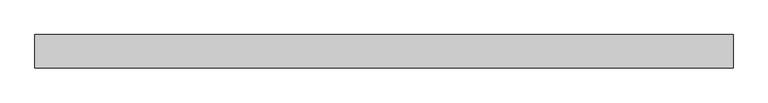
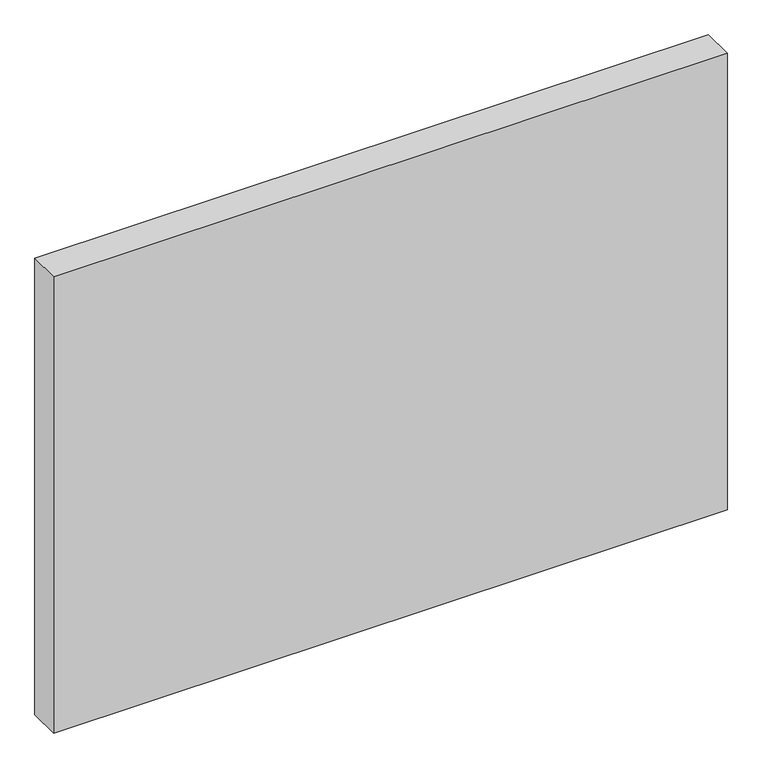
"""IFC4 building model written with IfcOpenShell, lengths in millimetres: proxy geometry."""

from ifc_helpers import new_model, si_unit, frame, origin, place, context, project, spatial, polyline, outline, extrude, source, transform, mapped, element, save


def generic_models_24dc6a9f(model_context):
    return source(origin(), model_context, "Body", "SweptSolid", [
        extrude(outline(polyline([(1830.5, 0.0), (-1830.5, 0.0), (-1830.5, 175.0), (1830.5, 175.0), (1830.5, 0.0)])), frame((0.0, 0.0, -140.0), z_axis=(0.0, 0.0, 1.0), x_axis=(1.0, 0.0, 0.0)), (0.0, 0.0, 1.0), 2621.4),
    ])


if __name__ == "__main__":
    model = new_model("IFC4")
    model_context = context("Model", 3, world=origin())
    ifc_project = project(units=[si_unit("LENGTHUNIT", "METRE", prefix="MILLI")], contexts=[model_context])
    site = spatial("IfcSite", under=ifc_project)
    building = spatial("IfcBuilding", under=site)
    placement = place(None, origin())
    generic_models_shape = generic_models_24dc6a9f(model_context)
    element("IfcBuildingElementProxy", 1, Name="Generic Models", at=placement, inside=building, context=model_context, shape_type="MappedRepresentation", body=[
        mapped(generic_models_shape, transform((0.0, 0.0, 0.0), x_axis=(1.0, 0.0, 0.0), y_axis=(0.0, 1.0, 0.0), z_axis=(0.0, 0.0, 1.0))),
    ])
    save(model, "model.ifc")
